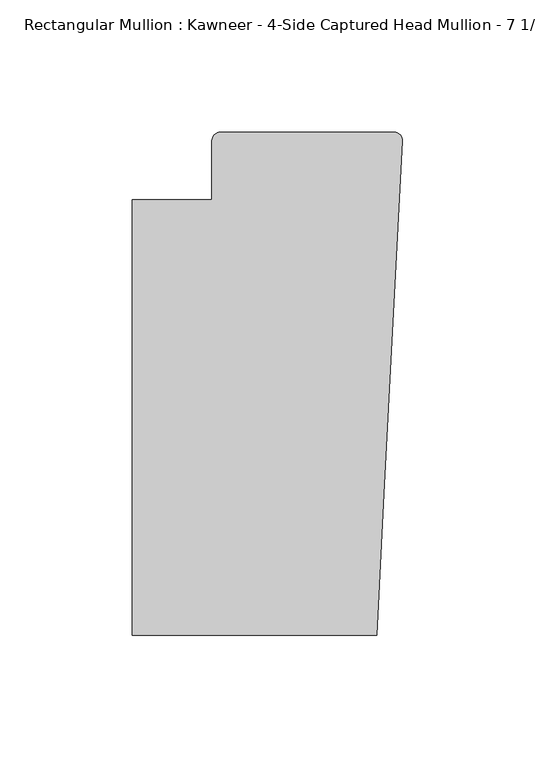
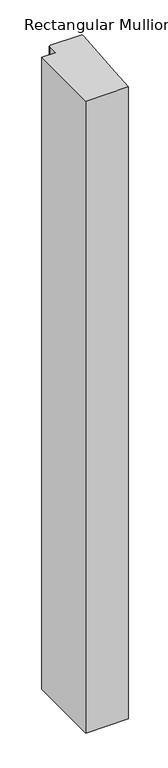
"""IFC4 building model written with IfcOpenShell, lengths in millimetres: member geometry."""

from ifc_helpers import new_model, si_unit, frame, origin, place, context, project, spatial, circle_curve, source, transform, mapped, element, save
from ifc_brep_helpers import plane_surface, cylinder_surface, advanced_brep


def member_748b7362(model_context):
    return source(origin(), model_context, "Body", "AdvancedBrep", [
        advanced_brep(
        [(-9.7860662, -151.892, 0.0), (-6.9873394, -98.4891117, 0.0), (-0.0041105, 34.7588278, 0.0), (-3.175, 38.0999944, 0.0), (-68.798975, 38.0999944, 0.0), (-71.9739395, 34.9099677, 0.0), (-71.9739395, 12.7, 0.0), (-102.08978, 12.7, 0.0), (-102.08978, -151.892, 0.0), (-9.7860662, -151.892, -1443.5556369), (-102.08978, -151.892, -1443.5556369), (-102.08978, 12.7, -1443.5556369), (-71.9739395, 12.7, -1443.5556369), (-71.9739395, 34.9099677, -1443.5556369), (-68.798975, 38.0999944, -1443.5556369), (-3.175, 38.0999944, -1443.5556369), (-0.006635, 34.7198406, -1443.5556369), (-6.9873394, -98.4891117, -1443.5556369)],
        [
            (0, 1),
            (1, 2),
            (2, 3, circle_curve(frame((-3.175, 34.9249944, 0.0), z_axis=(0.0, 0.0, 1.0), x_axis=(0.0, 1.0, 0.0)), 3.175)),
            (3, 4),
            (4, 5, circle_curve(frame((-68.798975, 34.9249944, 0.0), z_axis=(0.0, 0.0, 1.0), x_axis=(-0.9999888001458095, -0.004732819766726053, 0.0)), 3.175)),
            (5, 6),
            (6, 7),
            (7, 8),
            (8, 0),
            (9, 10),
            (10, 11),
            (11, 12),
            (12, 13),
            (13, 14, circle_curve(frame((-68.798975, 34.9249944, -1443.5556369), z_axis=(0.0, 0.0, -1.0), x_axis=(-0.9999888001458095, -0.004732819766726053, 0.0)), 3.175)),
            (14, 15),
            (15, 16, circle_curve(frame((-3.175, 34.9249944, -1443.5556369), z_axis=(0.0, 0.0, -1.0), x_axis=(0.0, 1.0, 0.0)), 3.175)),
            (16, 17),
            (17, 9),
            (0, 9),
            (17, 1),
            (16, 2),
            (15, 3),
            (14, 4),
            (13, 5),
            (12, 6),
            (11, 7),
            (10, 8),
        ],
        [
            plane_surface(frame((0.0, -183.0123025, 0.0), z_axis=(0.0, 0.0, 1.0), x_axis=(-1.0, 0.0, 0.0))),
            plane_surface(frame((0.0, -183.0123025, -1443.5556369), z_axis=(0.0, 0.0, -1.0), x_axis=(-1.0, 0.0, 0.0))),
            plane_surface(frame((-9.7860662, -151.892, 0.0), z_axis=(0.9986295347545738, -0.052335956242944896, 0.0), x_axis=(0.0, 0.0, -1.0))),
            plane_surface(frame((-6.9873394, -98.4891117, 0.0), z_axis=(0.9986295346400468, -0.05233595842825238, 0.0), x_axis=(0.0, 0.0, -1.0))),
            cylinder_surface(frame((-3.175, 34.9249944, 0.0), z_axis=(0.0, 0.0, 1.0), x_axis=(0.0, 1.0, 0.0)), 3.175),
            plane_surface(frame((-3.175, 38.0999944, 0.0), z_axis=(0.0, 1.0, 0.0), x_axis=(0.0, 0.0, -1.0))),
            cylinder_surface(frame((-68.798975, 34.9249944, 0.0), z_axis=(0.0, 0.0, 1.0), x_axis=(-0.9999888001458095, -0.004732819766726053, 0.0)), 3.175),
            plane_surface(frame((-71.9739395, 34.9099677, 0.0), z_axis=(-1.0, 0.0, 0.0), x_axis=(0.0, 0.0, -1.0))),
            plane_surface(frame((-71.9739395, 12.7, 0.0), z_axis=(0.0, 1.0, 0.0), x_axis=(0.0, 0.0, -1.0))),
            plane_surface(frame((-102.08978, 12.7, 0.0), z_axis=(-1.0, 0.0, 0.0), x_axis=(0.0, 0.0, -1.0))),
            plane_surface(frame((-102.08978, -151.892, 0.0), z_axis=(0.0, -1.0, 0.0), x_axis=(0.0, 0.0, -1.0))),
        ],
        [
            (0, [[1, 2, 3, 4, 5, 6, 7, 8, 9]]),
            (1, [[10, 11, 12, 13, 14, 15, 16, 17, 18]]),
            (2, [[-1, 19, -18, 20]]),
            (3, [[-2, -20, -17, 21]]),
            (4, [[-3, -21, -16, 22]]),
            (5, [[-4, -22, -15, 23]]),
            (6, [[-5, -23, -14, 24]]),
            (7, [[-6, -24, -13, 25]]),
            (8, [[-7, -25, -12, 26]]),
            (9, [[-8, -26, -11, 27]]),
            (10, [[-9, -27, -10, -19]]),
        ],
    ),
    ])


if __name__ == "__main__":
    model = new_model("IFC4")
    model_context = context("Model", 3, world=origin())
    ifc_project = project(units=[si_unit("LENGTHUNIT", "METRE", prefix="MILLI")], contexts=[model_context])
    site = spatial("IfcSite", under=ifc_project)
    building = spatial("IfcBuilding", under=site)
    placement = place(None, origin())
    member_shape = member_748b7362(model_context)
    element("IfcMember", 1, ObjectType="Rectangular Mullion : Kawneer - 4-Side Captured Head Mullion - 7 1/2\"", at=placement, inside=building, context=model_context, shape_type="MappedRepresentation", body=[
        mapped(member_shape, transform((0.0, 0.0, 0.0), x_axis=(1.0, 0.0, 0.0), y_axis=(0.0, 1.0, 0.0), z_axis=(0.0, 0.0, 1.0))),
    ])
    save(model, "model.ifc")
